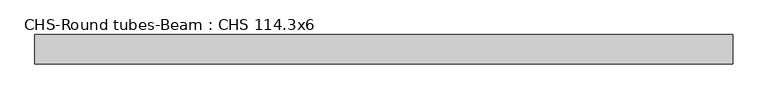
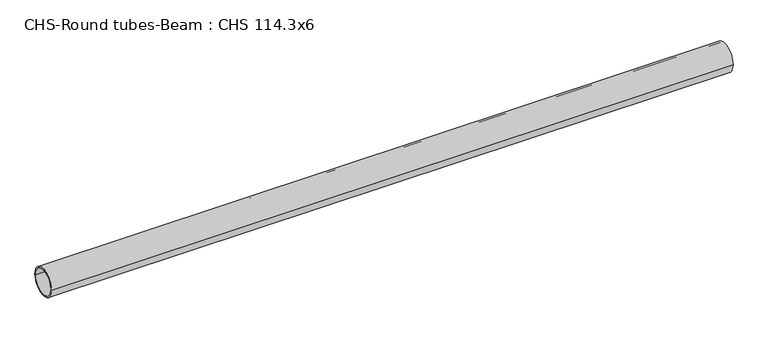
"""IFC4 building model written with IfcOpenShell, lengths in millimetres: beam geometry, CHS-Round tubes-Beam : CHS 114.3x6."""

import ifcopenshell
import ifcopenshell.guid

model = None  # the IFC model being written
_history = None  # IfcOwnerHistory: only IFC2X3 demands one
_inside = {}  # id of a spatial element -> (the spatial element, [elements in it])
_under = {}  # id of a project, library or spatial element -> (it, [spatial elements below it])
_declared = {}  # id of a project -> (the project, [libraries it declares])
_typed = {}  # id of a type object -> (the type object, [elements of that type])
_made_of = {}  # id of a material, layer set ... -> (it, [elements and type objects made of it])


def new_model(schema):
    """Start an empty IFC model of exactly this schema.

    Asked for "IFC4X3", IfcOpenShell would pick the latest addendum, in which some entities
    have other attributes; the version numbers below select the first issue.
    IFC2X3 requires an IfcOwnerHistory on every rooted entity: one is made here for all.
    """
    global model, _history
    if schema == "IFC4X3":
        model = ifcopenshell.file(schema_version=(4, 3, 0, 0))
    else:
        model = ifcopenshell.file(schema=schema)
    _inside.clear()
    _under.clear()
    _declared.clear()
    _typed.clear()
    _made_of.clear()
    _history = None
    if model.schema == "IFC2X3":
        org = make("IfcOrganization", Name="unknown")
        user = make(
            "IfcPersonAndOrganization",
            ThePerson=make("IfcPerson", FamilyName="unknown"),
            TheOrganization=org,
        )
        app = make(
            "IfcApplication",
            ApplicationDeveloper=org,
            Version="unknown",
            ApplicationFullName="unknown",
            ApplicationIdentifier="unknown",
        )
        _history = make(
            "IfcOwnerHistory",
            OwningUser=user,
            OwningApplication=app,
            ChangeAction="ADDED",
            CreationDate=0,
        )
    return model


def make(cls, **values):
    """One entity of the class cls with the attributes given. An attribute that is None is left unset."""
    return model.create_entity(
        cls, **{name: value for name, value in values.items() if value is not None}
    )


def rooted(cls, **values):
    """An entity with a GlobalId (a new one), such as an element, a storey or a relation."""
    return make(cls, GlobalId=ifcopenshell.guid.new(), OwnerHistory=_history, **values)


def si_unit(unit_type, name, prefix=None):
    """IfcSIUnit, for example si_unit("LENGTHUNIT", "METRE", prefix="MILLI")."""
    return make("IfcSIUnit", UnitType=unit_type, Prefix=prefix, Name=name)


def assignment(units):
    """IfcUnitAssignment: the units of a project."""
    return None if units is None else make("IfcUnitAssignment", Units=units)


def point(xyz):
    """IfcCartesianPoint."""
    return None if xyz is None else make("IfcCartesianPoint", Coordinates=xyz)


def direction(xyz):
    """IfcDirection."""
    return None if xyz is None else make("IfcDirection", DirectionRatios=xyz)


def frame(location, z_axis=None, x_axis=None):
    """IfcAxis2Placement3D, a coordinate frame: its origin and axes. An axis left out is left unset."""
    return make(
        "IfcAxis2Placement3D",
        Location=point(location),
        Axis=direction(z_axis),
        RefDirection=direction(x_axis),
    )


def frame_2d(location, x_axis=None):
    """IfcAxis2Placement2D, a coordinate frame in the plane: its origin and x axis."""
    return make(
        "IfcAxis2Placement2D", Location=point(location), RefDirection=direction(x_axis)
    )


def origin():
    """The frame at (0, 0, 0) with its axes left unset."""
    return frame((0.0, 0.0, 0.0))


def origin_2d():
    """The frame at (0, 0) in the plane with its x axis left unset."""
    return frame_2d((0.0, 0.0))


def place(relative_to, where):
    """IfcLocalPlacement: puts the frame where relative to a parent placement (None: the world)."""
    return make(
        "IfcLocalPlacement", PlacementRelTo=relative_to, RelativePlacement=where
    )


def context(
    kind, dimensions, precision=None, world=None, true_north=None, identifier=None
):
    """IfcGeometricRepresentationContext, for example the 3D "Model" context."""
    return make(
        "IfcGeometricRepresentationContext",
        ContextIdentifier=identifier,
        ContextType=kind,
        CoordinateSpaceDimension=dimensions,
        Precision=precision,
        WorldCoordinateSystem=world,
        TrueNorth=true_north,
    )


def project(units=None, contexts=None):
    """IfcProject with its units and contexts."""
    return rooted(
        "IfcProject",
        Name="project",
        RepresentationContexts=contexts,
        UnitsInContext=assignment(units),
    )


def spatial(cls, under=None, at=None, **own):
    """A site, building, storey or space (cls), placed at a placement, below another one or the project."""
    s = rooted(cls, ObjectPlacement=at, **own)
    if under is not None:
        _under.setdefault(under.id(), (under, []))[1].append(s)
    return s


def circle_curve(where, radius):
    """IfcCircle in the frame where."""
    return make("IfcCircle", Position=where, Radius=radius)


def trimmed(basis, trim1, trim2, sense, master):
    """IfcTrimmedCurve: the piece of a basis curve between two trims."""
    return make(
        "IfcTrimmedCurve",
        BasisCurve=basis,
        Trim1=trim1,
        Trim2=trim2,
        SenseAgreement=sense,
        MasterRepresentation=master,
    )


def segment(curve, same_sense, transition):
    """IfcCompositeCurveSegment."""
    return make(
        "IfcCompositeCurveSegment",
        Transition=transition,
        SameSense=same_sense,
        ParentCurve=curve,
    )


def composite_curve(segments, self_intersect=None):
    """IfcCompositeCurve: segments joined end to end."""
    return make("IfcCompositeCurve", Segments=segments, SelfIntersect=self_intersect)


def outline(outer, holes=None, kind="AREA"):
    """IfcArbitraryClosedProfileDef: a profile drawn as a closed curve; with holes, ...WithVoids."""
    if holes is None:
        return make("IfcArbitraryClosedProfileDef", ProfileType=kind, OuterCurve=outer)
    return make(
        "IfcArbitraryProfileDefWithVoids",
        ProfileType=kind,
        OuterCurve=outer,
        InnerCurves=holes,
    )


def extrude(swept, where, along, depth):
    """IfcExtrudedAreaSolid: the profile swept, set in the frame where, extruded along a direction by depth."""
    return make(
        "IfcExtrudedAreaSolid",
        SweptArea=swept,
        Position=where,
        ExtrudedDirection=direction(along),
        Depth=depth,
    )


def shape(context_of_items, identifier, shape_type, items):
    """IfcShapeRepresentation: the items that make up one representation, for example the "Body"."""
    return make(
        "IfcShapeRepresentation",
        ContextOfItems=context_of_items,
        RepresentationIdentifier=identifier,
        RepresentationType=shape_type,
        Items=items,
    )


def source(mapping_origin, context_of_items, identifier, shape_type, items):
    """IfcRepresentationMap: a shape defined once, which mapped items show again and again."""
    return make(
        "IfcRepresentationMap",
        MappingOrigin=mapping_origin,
        MappedRepresentation=shape(context_of_items, identifier, shape_type, items),
    )


def transform(
    local_origin,
    x_axis=None,
    y_axis=None,
    z_axis=None,
    scale=None,
    scale2=None,
    scale3=None,
    uniform=True,
):
    """IfcCartesianTransformationOperator3D, or its non-uniform kind. x_axis, y_axis, z_axis: its Axis1, 2, 3."""
    if uniform:
        return make(
            "IfcCartesianTransformationOperator3D",
            Axis1=direction(x_axis),
            Axis2=direction(y_axis),
            LocalOrigin=point(local_origin),
            Scale=scale,
            Axis3=direction(z_axis),
        )
    return make(
        "IfcCartesianTransformationOperator3DnonUniform",
        Axis1=direction(x_axis),
        Axis2=direction(y_axis),
        LocalOrigin=point(local_origin),
        Scale=scale,
        Axis3=direction(z_axis),
        Scale2=scale2,
        Scale3=scale3,
    )


def mapped(mapping_source, mapping_target):
    """IfcMappedItem: shows the shape of a source again, moved by a transform."""
    return make(
        "IfcMappedItem", MappingSource=mapping_source, MappingTarget=mapping_target
    )


def made_of(thing, what):
    """Note that an element or type object is made of a material, layer set ...; save() writes the relation."""
    if what is not None:
        _made_of.setdefault(what.id(), (what, []))[1].append(thing)
    return thing


def element(
    cls,
    number,
    at=None,
    inside=None,
    cuts=None,
    type_object=None,
    material=None,
    context=None,
    identifier="Body",
    shape_type=None,
    held_by="IfcProductDefinitionShape",
    body=None,
    shapes=None,
    **own,
):
    """One element of the class cls, such as IfcWall. Its Tag is "e" and its number.

    at: its placement. inside: the storey or other place that contains it. cuts: it is an
    opening in that element (IfcRelVoidsElement). A single representation is given by context,
    identifier, shape_type and body (its items); several are given by shapes. held_by: the class
    of the entity that holds the representations. save() writes the other relations.
    """
    e = rooted(cls, Tag="e%d" % number, ObjectPlacement=at, **own)
    if body is not None:
        shapes = [shape(context, identifier, shape_type, body)]
    if shapes is not None:
        e.Representation = make(held_by, Representations=shapes)
    if inside is not None:
        _inside.setdefault(inside.id(), (inside, []))[1].append(e)
    if cuts is not None:
        rooted(
            "IfcRelVoidsElement", RelatingBuildingElement=cuts, RelatedOpeningElement=e
        )
    if type_object is not None:
        _typed.setdefault(type_object.id(), (type_object, []))[1].append(e)
    return made_of(e, material)


def aggregate(whole, parts):
    """IfcRelAggregates: a whole, such as a stair, and the parts it consists of."""
    return rooted("IfcRelAggregates", RelatingObject=whole, RelatedObjects=parts)


def save(model, path):
    """Write the relations noted so far, then the file.

    IfcRelAggregates (storeys below a building ...), IfcRelContainedInSpatialStructure (elements
    in a storey), IfcRelDefinesByType, IfcRelAssociatesMaterial and IfcRelDeclares: one each for
    every whole, place, type object, material and project.
    """
    for whole, parts in _under.values():
        aggregate(whole, parts)
    for where, things in _inside.values():
        rooted(
            "IfcRelContainedInSpatialStructure",
            RelatedElements=things,
            RelatingStructure=where,
        )
    for kind, things in _typed.values():
        rooted("IfcRelDefinesByType", RelatedObjects=things, RelatingType=kind)
    for what, things in _made_of.values():
        rooted("IfcRelAssociatesMaterial", RelatedObjects=things, RelatingMaterial=what)
    for by, libraries in _declared.values():
        rooted("IfcRelDeclares", RelatingContext=by, RelatedDefinitions=libraries)
    model.write(path)


def chs_round_tubes_beam_chs_114_3x6_1d2ed5ad(model_context):
    return source(origin(), model_context, "Body", "SweptSolid", [
        extrude(outline(composite_curve([segment(trimmed(circle_curve(origin_2d(), 57.15), [point((57.15, 0.0))], [point((-57.15, 0.0))], False, "CARTESIAN"), True, "CONTINUOUS"), segment(trimmed(circle_curve(origin_2d(), 57.15), [point((-57.15, 0.0))], [point((57.15, 0.0))], False, "CARTESIAN"), True, "CONTINUOUS")], self_intersect=False), holes=[composite_curve([segment(trimmed(circle_curve(origin_2d(), 51.15), [point((51.15, 0.0))], [point((-51.15, 0.0))], True, "CARTESIAN"), True, "CONTINUOUS"), segment(trimmed(circle_curve(origin_2d(), 51.15), [point((-51.15, 0.0))], [point((51.15, 0.0))], True, "CARTESIAN"), True, "CONTINUOUS")], self_intersect=False)]), frame((-1277.5192607, 0.0, 0.0), z_axis=(1.0, 0.0, 0.0), x_axis=(0.0, 1.0, 0.0)), (0.0, 0.0, 1.0), 2721.7245645),
    ])


if __name__ == "__main__":
    model = new_model("IFC4")
    model_context = context("Model", 3, world=origin())
    ifc_project = project(units=[si_unit("LENGTHUNIT", "METRE", prefix="MILLI")], contexts=[model_context])
    site = spatial("IfcSite", under=ifc_project)
    building = spatial("IfcBuilding", under=site)
    placement = place(None, origin())
    chs_round_tubes_beam_chs_114_3x6_shape = chs_round_tubes_beam_chs_114_3x6_1d2ed5ad(model_context)
    element("IfcBeam", 1, ObjectType="CHS-Round tubes-Beam : CHS 114.3x6", at=placement, inside=building, context=model_context, shape_type="MappedRepresentation", body=[
        mapped(chs_round_tubes_beam_chs_114_3x6_shape, transform((0.0, 0.0, 0.0), x_axis=(1.0, 0.0, 0.0), y_axis=(0.0, 1.0, 0.0), z_axis=(0.0, 0.0, 1.0))),
    ])
    save(model, "model.ifc")
